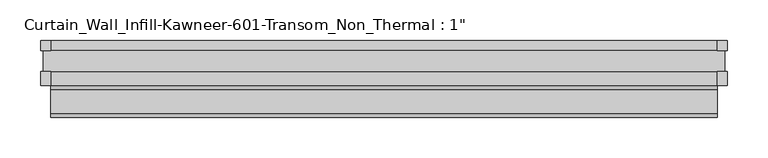
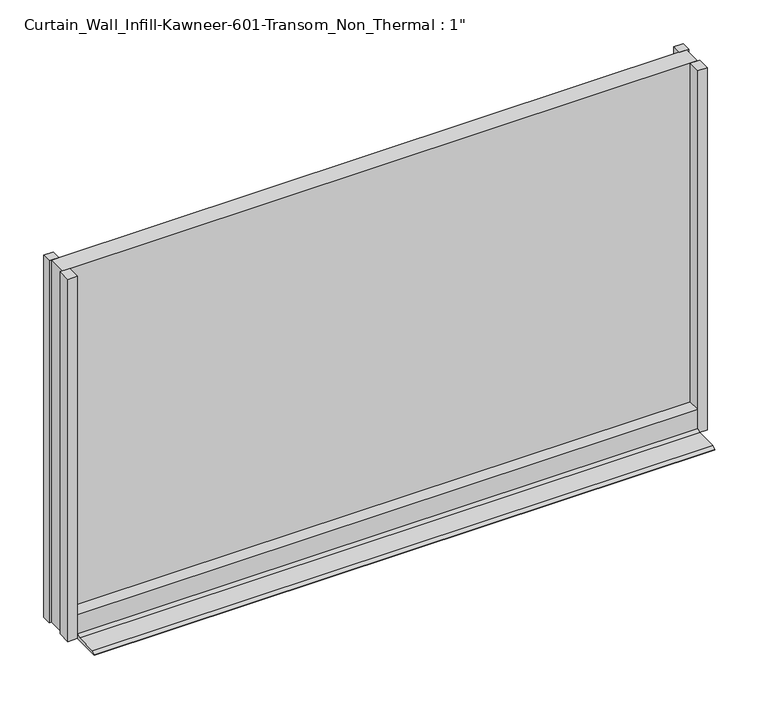
"""IFC4 building model written with IfcOpenShell, lengths in millimetres: plate geometry."""

from ifc_helpers import new_model, si_unit, frame, origin, origin_with_axes, place, context, project, spatial, polyline, outline, extrude, source, transform, mapped, element, save


def plate_f41786a7(model_context):
    return source(origin(), model_context, "Body", "SweptSolid", [
        extrude(outline(polyline([(411.1625, 25.2723869), (423.8625, 25.2723869), (423.8625, 12.7), (411.1625, 12.7), (411.1625, 25.2723869)])), origin_with_axes(), (0.0, 0.0, 1.0), 508.0),
        extrude(outline(polyline([(423.8625, -30.2901131), (411.1625, -30.2901131), (411.1625, -12.7), (423.8625, -12.7), (423.8625, -30.2901131)])), origin_with_axes(), (0.0, 0.0, 1.0), 508.0),
        extrude(outline(polyline([(-411.1625, 25.2723869), (-411.1625, 12.7), (-423.8625, 12.7), (-423.8625, 25.2723869), (-411.1625, 25.2723869)])), origin_with_axes(), (0.0, 0.0, 1.0), 508.0),
        extrude(outline(polyline([(-423.8625, -30.2901131), (-423.8625, -12.7), (-411.1625, -12.7), (-411.1625, -30.2901131), (-423.8625, -30.2901131)])), origin_with_axes(), (0.0, 0.0, 1.0), 508.0),
        extrude(outline(polyline([(12.7, 33.3375), (25.625216, 33.3375), (25.625216, 0.0), (-69.3036182, 0.0), (-69.3036182, 0.963453), (-64.5512788, 3.7072174), (-34.9431706, 3.7072174), (-30.2435382, 6.3122662), (-30.2435382, 33.3375), (-12.7, 33.3375), (-12.7, 23.8125), (12.7, 23.8125), (12.7, 33.3375)])), frame((-411.1625, 0.0, 0.0), z_axis=(1.0, 0.0, 0.0), x_axis=(0.0, 1.0, 0.0)), (0.0, 0.0, 1.0), 822.325),
        extrude(outline(polyline([(-420.6875, 12.7), (420.6875, 12.7), (420.6875, -12.7), (-420.6875, -12.7), (-420.6875, 12.7)])), origin_with_axes(), (0.0, 0.0, 1.0), 508.0),
    ])


if __name__ == "__main__":
    model = new_model("IFC4")
    model_context = context("Model", 3, world=origin())
    ifc_project = project(units=[si_unit("LENGTHUNIT", "METRE", prefix="MILLI")], contexts=[model_context])
    site = spatial("IfcSite", under=ifc_project)
    building = spatial("IfcBuilding", under=site)
    placement = place(None, origin())
    plate_shape = plate_f41786a7(model_context)
    element("IfcPlate", 1, ObjectType="Curtain_Wall_Infill-Kawneer-601-Transom_Non_Thermal : 1\"", at=placement, inside=building, context=model_context, shape_type="MappedRepresentation", body=[
        mapped(plate_shape, transform((0.0, 0.0, 0.0), x_axis=(1.0, 0.0, 0.0), y_axis=(0.0, 1.0, 0.0), z_axis=(0.0, 0.0, 1.0))),
    ])
    save(model, "model.ifc")
